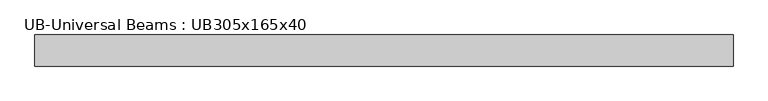
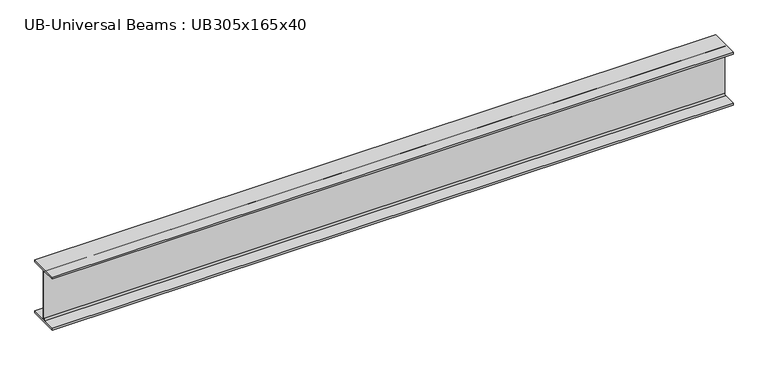
"""IFC4 building model written with IfcOpenShell, lengths in millimetres: beam geometry, UB-Universal Beams : UB305x165x40."""

from ifc_helpers import new_model, si_unit, point, frame, frame_2d, origin, place, context, project, spatial, polyline, circle_curve, trimmed, segment, composite_curve, outline, extrude, source, transform, mapped, element, save


def ub_universal_beams_ub305x165x40_6a290bde(model_context):
    return source(origin(), model_context, "Body", "SweptSolid", [
        extrude(outline(composite_curve([segment(polyline([(82.5, -141.5), (82.5, -151.7), (-82.5, -151.7), (-82.5, -141.5), (-11.9, -141.5)]), True, "CONTINUOUS"), segment(trimmed(circle_curve(frame_2d((-11.9, -132.6)), 8.9), [point((-11.9, -141.5))], [point((-3.0, -132.6))], True, "CARTESIAN"), True, "CONTINUOUS"), segment(polyline([(-3.0, -132.6), (-3.0, 132.6)]), True, "CONTINUOUS"), segment(trimmed(circle_curve(frame_2d((-11.9, 132.6)), 8.9), [point((-3.0, 132.6))], [point((-11.9, 141.5))], True, "CARTESIAN"), True, "CONTINUOUS"), segment(polyline([(-11.9, 141.5), (-82.5, 141.5), (-82.5, 151.7), (82.5, 151.7), (82.5, 141.5), (11.9, 141.5)]), True, "CONTINUOUS"), segment(trimmed(circle_curve(frame_2d((11.9, 132.6)), 8.9), [point((11.9, 141.5))], [point((3.0, 132.6))], True, "CARTESIAN"), True, "CONTINUOUS"), segment(polyline([(3.0, 132.6), (3.0, -132.6)]), True, "CONTINUOUS"), segment(trimmed(circle_curve(frame_2d((11.9, -132.6)), 8.9), [point((3.0, -132.6))], [point((11.9, -141.5))], True, "CARTESIAN"), True, "CONTINUOUS"), segment(polyline([(11.9, -141.5), (82.5, -141.5)]), True, "CONTINUOUS")], self_intersect=False)), frame((-1767.5, 0.0, 0.0), z_axis=(1.0, 0.0, 0.0), x_axis=(0.0, 1.0, 0.0)), (0.0, 0.0, 1.0), 3700.0),
    ])


if __name__ == "__main__":
    model = new_model("IFC4")
    model_context = context("Model", 3, world=origin())
    ifc_project = project(units=[si_unit("LENGTHUNIT", "METRE", prefix="MILLI")], contexts=[model_context])
    site = spatial("IfcSite", under=ifc_project)
    building = spatial("IfcBuilding", under=site)
    placement = place(None, origin())
    ub_universal_beams_ub305x165x40_shape = ub_universal_beams_ub305x165x40_6a290bde(model_context)
    element("IfcBeam", 1, ObjectType="UB-Universal Beams : UB305x165x40", at=placement, inside=building, context=model_context, shape_type="MappedRepresentation", body=[
        mapped(ub_universal_beams_ub305x165x40_shape, transform((0.0, 0.0, 0.0), x_axis=(1.0, 0.0, 0.0), y_axis=(0.0, 1.0, 0.0), z_axis=(0.0, 0.0, 1.0))),
    ])
    save(model, "model.ifc")
